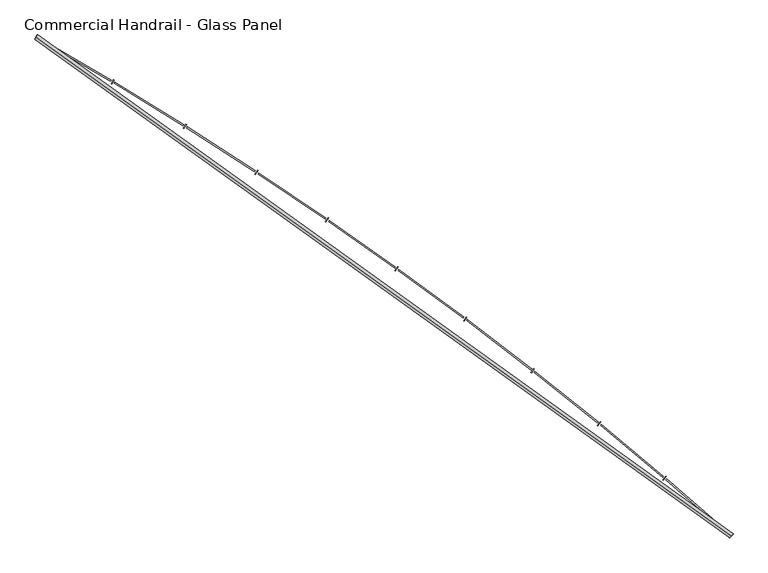
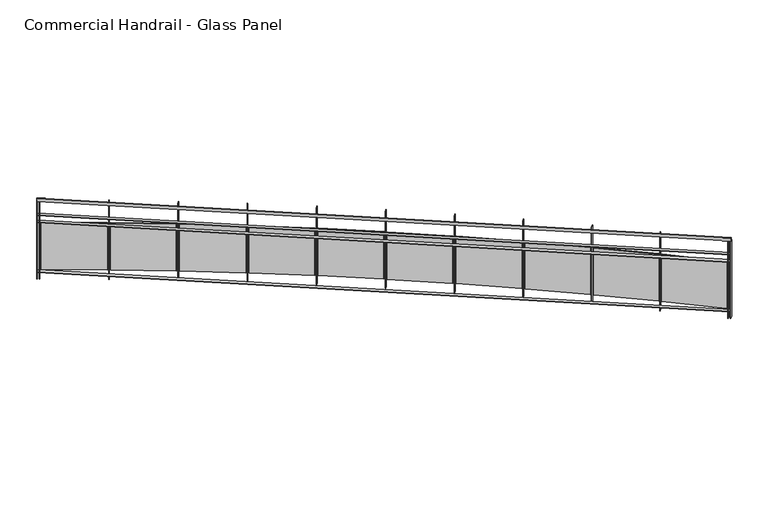
"""IFC4 building model written with IfcOpenShell, lengths in millimetres: railing geometry, Commercial Handrail - Glass Panel."""

from ifc_helpers import new_model, si_unit, point, frame, origin, place, context, project, spatial, polyline, circle_curve, ellipse_curve, trimmed, outline, extrude, source, transform, mapped, element, save
from ifc_brep_helpers import plane_surface, cylinder_surface, revolved_surface, advanced_brep


def commercial_handrail_glass_panel_35f3d920(model_context):
    return source(origin(), model_context, "Body", "SolidModel", [
        advanced_brep(
        [(167549.0741026, -21421.502679, 12882.5), (161013.6212135, -16726.1286002, 12882.5), (161013.6212135, -16726.1286002, 12917.5), (167549.0741026, -21421.502679, 12917.5)],
        [
            (0, 1, circle_curve(frame((141448.4989992, -50854.6714836, 12882.5), z_axis=(0.0, 0.0, 1.0), x_axis=(0.4973475894068907, 0.8675513675346002, 0.0)), 39338.9304203)),
            (1, 2, ellipse_curve(frame((161013.6212135, -16726.1286002, 12900.0), z_axis=(0.867551367534597, -0.4973475894068962, 0.0), x_axis=(-0.4973475894068962, -0.867551367534597, 0.0)), 25.0, 17.5)),
            (2, 3, circle_curve(frame((141448.4989992, -50854.6714836, 12917.5), z_axis=(0.0, 0.0, -1.0), x_axis=(0.4973475894068907, 0.8675513675346002, 0.0)), 39338.9304203)),
            (3, 0, ellipse_curve(frame((167549.0741026, -21421.502679, 12900.0), z_axis=(-0.748194434626209, 0.6634795309535686, 0.0), x_axis=(-0.6634795309535686, -0.748194434626209, 0.0)), 25.0, 17.5)),
            (2, 1, ellipse_curve(frame((161013.6212135, -16726.1286002, 12900.0), z_axis=(0.867551367534597, -0.4973475894068962, 0.0), x_axis=(-0.4973475894068962, -0.867551367534597, 0.0)), 25.0, 17.5)),
            (0, 3, ellipse_curve(frame((167549.0741026, -21421.502679, 12900.0), z_axis=(-0.748194434626209, 0.6634795309535686, 0.0), x_axis=(-0.6634795309535686, -0.748194434626209, 0.0)), 25.0, 17.5)),
        ],
        [
            revolved_surface(trimmed(ellipse_curve(frame((161013.6212135, -16726.1286002, 12900.0), z_axis=(-0.8675513675346002, 0.4973475894068907, 0.0), x_axis=(0.0, 0.0, -1.0)), 17.5, 25.0), [point((161013.6212135, -16726.1286002, 12917.5))], [point((161013.6212135, -16726.1286002, 12882.5))], True, "CARTESIAN"), (141448.4989992, -50854.6714836, 12900.0), (0.0, 0.0, -1.0)),
            revolved_surface(trimmed(ellipse_curve(frame((161013.6212135, -16726.1286002, 12900.0), z_axis=(-0.8675513675346002, 0.4973475894068907, 0.0), x_axis=(0.0, 0.0, -1.0)), 17.5, 25.0), [point((161013.6212135, -16726.1286002, 12882.5))], [point((161013.6212135, -16726.1286002, 12917.5))], True, "CARTESIAN"), (141448.4989992, -50854.6714836, 12900.0), (0.0, 0.0, -1.0)),
            plane_surface(frame((161013.6212135, -16726.1286002, 12900.0), z_axis=(-0.8675513675346002, 0.4973475894068907, 0.0), x_axis=(0.4973475894068907, 0.8675513675346002, 0.0))),
            plane_surface(frame((167549.0741026, -21421.502679, 12900.0), z_axis=(0.7481944346262088, -0.663479530953569, 0.0), x_axis=(0.663479530953569, 0.7481944346262088, 0.0))),
        ],
        [
            (0, [[1, 2, 3, 4]]),
            (1, [[-3, 5, -1, 6]]),
            (2, [[-2, -5]]),
            (3, [[-6, -4]]),
        ],
    ),
        advanced_brep(
        [(167564.0023921, -21404.6683042, 12700.0), (161024.8115343, -16706.6086944, 12700.0), (161002.4308928, -16745.6485059, 12700.0), (167534.1458132, -21438.3370538, 12700.0), (167564.0023921, -21404.6683042, 12694.0), (161024.8115343, -16706.6086944, 12694.0), (167534.1458132, -21438.3370538, 12694.0), (161002.4308928, -16745.6485059, 12694.0)],
        [
            (0, 1, circle_curve(frame((141448.4989992, -50854.6714836, 12700.0), z_axis=(0.0, 0.0, 1.0), x_axis=(0.4973475894068907, 0.8675513675346002, 0.0)), 39361.4304203)),
            (1, 2),
            (2, 3, circle_curve(frame((141448.4989992, -50854.6714836, 12700.0), z_axis=(0.0, 0.0, -1.0), x_axis=(0.4973475894068907, 0.8675513675346002, 0.0)), 39316.4304203)),
            (3, 0),
            (4, 5, circle_curve(frame((141448.4989992, -50854.6714836, 12694.0), z_axis=(0.0, 0.0, 1.0), x_axis=(0.4973475894068907, 0.8675513675346002, 0.0)), 39361.4304203)),
            (5, 1),
            (0, 4),
            (6, 7, circle_curve(frame((141448.4989992, -50854.6714836, 12694.0), z_axis=(0.0, 0.0, 1.0), x_axis=(0.4973475894068907, 0.8675513675346002, 0.0)), 39316.4304203)),
            (7, 5),
            (4, 6),
            (2, 7),
            (6, 3),
        ],
        [
            plane_surface(frame((141448.4989992, -50854.6714836, 12700.0), z_axis=(0.0, 0.0, 1.0), x_axis=(0.4973475894068907, 0.8675513675346002, 0.0))),
            cylinder_surface(frame((141448.4989992, -50854.6714836, 12700.0), z_axis=(0.0, 0.0, -1.0), x_axis=(0.4973475894068907, 0.8675513675346002, 0.0)), 39361.4304203),
            plane_surface(frame((141448.4989992, -50854.6714836, 12694.0), z_axis=(0.0, 0.0, -1.0), x_axis=(0.4973475894068907, 0.8675513675346002, 0.0))),
            revolved_surface(polyline([(161002.43089281995, -16745.64850588978, 12694.0), (161002.43089281995, -16745.64850588978, 12700.0)]), (141448.4989992, -50854.6714836, 12700.0), (0.0, 0.0, -1.0)),
            plane_surface(frame((161013.6212135, -16726.1286002, 12700.0), z_axis=(-0.8675513675346002, 0.4973475894068907, 0.0), x_axis=(0.4973475894068907, 0.8675513675346002, 0.0))),
            plane_surface(frame((167549.0741026, -21421.502679, 12700.0), z_axis=(0.7481944346262088, -0.663479530953569, 0.0), x_axis=(0.663479530953569, 0.7481944346262088, 0.0))),
        ],
        [
            (0, [[1, 2, 3, 4]]),
            (1, [[5, 6, -1, 7]]),
            (2, [[8, 9, -5, 10]]),
            (3, [[-3, 11, -8, 12]]),
            (4, [[-2, -6, -9, -11]]),
            (5, [[-12, -10, -7, -4]]),
        ],
    ),
        advanced_brep(
        [(167564.0023921, -21404.6683042, 12600.0), (161024.8115343, -16706.6086944, 12600.0), (161002.4308928, -16745.6485059, 12600.0), (167534.1458132, -21438.3370538, 12600.0), (167564.0023921, -21404.6683042, 12594.0), (161024.8115343, -16706.6086944, 12594.0), (167534.1458132, -21438.3370538, 12594.0), (161002.4308928, -16745.6485059, 12594.0)],
        [
            (0, 1, circle_curve(frame((141448.4989992, -50854.6714836, 12600.0), z_axis=(0.0, 0.0, 1.0), x_axis=(0.4973475894068907, 0.8675513675346002, 0.0)), 39361.4304203)),
            (1, 2),
            (2, 3, circle_curve(frame((141448.4989992, -50854.6714836, 12600.0), z_axis=(0.0, 0.0, -1.0), x_axis=(0.4973475894068907, 0.8675513675346002, 0.0)), 39316.4304203)),
            (3, 0),
            (4, 5, circle_curve(frame((141448.4989992, -50854.6714836, 12594.0), z_axis=(0.0, 0.0, 1.0), x_axis=(0.4973475894068907, 0.8675513675346002, 0.0)), 39361.4304203)),
            (5, 1),
            (0, 4),
            (6, 7, circle_curve(frame((141448.4989992, -50854.6714836, 12594.0), z_axis=(0.0, 0.0, 1.0), x_axis=(0.4973475894068907, 0.8675513675346002, 0.0)), 39316.4304203)),
            (7, 5),
            (4, 6),
            (2, 7),
            (6, 3),
        ],
        [
            plane_surface(frame((141448.4989992, -50854.6714836, 12600.0), z_axis=(0.0, 0.0, 1.0), x_axis=(0.4973475894068907, 0.8675513675346002, 0.0))),
            cylinder_surface(frame((141448.4989992, -50854.6714836, 12600.0), z_axis=(0.0, 0.0, -1.0), x_axis=(0.4973475894068907, 0.8675513675346002, 0.0)), 39361.4304203),
            plane_surface(frame((141448.4989992, -50854.6714836, 12594.0), z_axis=(0.0, 0.0, -1.0), x_axis=(0.4973475894068907, 0.8675513675346002, 0.0))),
            revolved_surface(polyline([(161002.43089281995, -16745.64850588978, 12594.0), (161002.43089281995, -16745.64850588978, 12600.0)]), (141448.4989992, -50854.6714836, 12600.0), (0.0, 0.0, -1.0)),
            plane_surface(frame((161013.6212135, -16726.1286002, 12600.0), z_axis=(-0.8675513675346002, 0.4973475894068907, 0.0), x_axis=(0.4973475894068907, 0.8675513675346002, 0.0))),
            plane_surface(frame((167549.0741026, -21421.502679, 12600.0), z_axis=(0.7481944346262088, -0.663479530953569, 0.0), x_axis=(0.663479530953569, 0.7481944346262088, 0.0))),
        ],
        [
            (0, [[1, 2, 3, 4]]),
            (1, [[5, 6, -1, 7]]),
            (2, [[8, 9, -5, 10]]),
            (3, [[-3, 11, -8, 12]]),
            (4, [[-2, -6, -9, -11]]),
            (5, [[-12, -10, -7, -4]]),
        ],
    ),
        advanced_brep(
        [(167564.0023921, -21404.6683042, 11900.0), (161024.8115343, -16706.6086944, 11900.0), (161002.4308928, -16745.6485059, 11900.0), (167534.1458132, -21438.3370538, 11900.0), (167564.0023921, -21404.6683042, 11894.0), (161024.8115343, -16706.6086944, 11894.0), (167534.1458132, -21438.3370538, 11894.0), (161002.4308928, -16745.6485059, 11894.0)],
        [
            (0, 1, circle_curve(frame((141448.4989992, -50854.6714836, 11900.0), z_axis=(0.0, 0.0, 1.0), x_axis=(0.4973475894068907, 0.8675513675346002, 0.0)), 39361.4304203)),
            (1, 2),
            (2, 3, circle_curve(frame((141448.4989992, -50854.6714836, 11900.0), z_axis=(0.0, 0.0, -1.0), x_axis=(0.4973475894068907, 0.8675513675346002, 0.0)), 39316.4304203)),
            (3, 0),
            (4, 5, circle_curve(frame((141448.4989992, -50854.6714836, 11894.0), z_axis=(0.0, 0.0, 1.0), x_axis=(0.4973475894068907, 0.8675513675346002, 0.0)), 39361.4304203)),
            (5, 1),
            (0, 4),
            (6, 7, circle_curve(frame((141448.4989992, -50854.6714836, 11894.0), z_axis=(0.0, 0.0, 1.0), x_axis=(0.4973475894068907, 0.8675513675346002, 0.0)), 39316.4304203)),
            (7, 5),
            (4, 6),
            (2, 7),
            (6, 3),
        ],
        [
            plane_surface(frame((141448.4989992, -50854.6714836, 11900.0), z_axis=(0.0, 0.0, 1.0), x_axis=(0.4973475894068907, 0.8675513675346002, 0.0))),
            cylinder_surface(frame((141448.4989992, -50854.6714836, 11900.0), z_axis=(0.0, 0.0, -1.0), x_axis=(0.4973475894068907, 0.8675513675346002, 0.0)), 39361.4304203),
            plane_surface(frame((141448.4989992, -50854.6714836, 11894.0), z_axis=(0.0, 0.0, -1.0), x_axis=(0.4973475894068907, 0.8675513675346002, 0.0))),
            revolved_surface(polyline([(161002.43089281995, -16745.64850588978, 11894.0), (161002.43089281995, -16745.64850588978, 11900.0)]), (141448.4989992, -50854.6714836, 11900.0), (0.0, 0.0, -1.0)),
            plane_surface(frame((161013.6212135, -16726.1286002, 11900.0), z_axis=(-0.8675513675346002, 0.4973475894068907, 0.0), x_axis=(0.4973475894068907, 0.8675513675346002, 0.0))),
            plane_surface(frame((167549.0741026, -21421.502679, 11900.0), z_axis=(0.7481944346262088, -0.663479530953569, 0.0), x_axis=(0.663479530953569, 0.7481944346262088, 0.0))),
        ],
        [
            (0, [[1, 2, 3, 4]]),
            (1, [[5, 6, -1, 7]]),
            (2, [[8, 9, -5, 10]]),
            (3, [[-3, 11, -8, 12]]),
            (4, [[-2, -6, -9, -11]]),
            (5, [[-12, -10, -7, -4]]),
        ],
    ),
        extrude(outline(polyline([(167508.9444824, -21416.0082801), (167538.7747877, -21382.3162501), (167543.2670583, -21386.2936241), (167513.436753, -21419.9856541), (167508.9444824, -21416.0082801)])), frame((0.0, 0.0, 11800.0), z_axis=(0.0, 0.0, 1.0), x_axis=(1.0, 0.0, 0.0)), (0.0, 0.0, 1.0), 1082.1192282),
        extrude(outline(polyline([(166942.1525945, -20883.992877), (167516.2667104, -21381.9818146), (167508.4037272, -21391.0467743), (166934.2896113, -20893.0578368), (166942.1525945, -20883.992877)])), frame((0.0, 0.0, 11920.0), z_axis=(0.0, 0.0, 1.0), x_axis=(1.0, 0.0, 0.0)), (0.0, 0.0, 1.0), 660.0),
        extrude(outline(polyline([(166904.9299151, -20892.1643286), (166934.0689354, -20857.8726752), (166938.6411559, -20861.7578779), (166909.5021355, -20896.0495313), (166904.9299151, -20892.1643286)])), frame((0.0, 0.0, 11800.0), z_axis=(0.0, 0.0, 1.0), x_axis=(1.0, 0.0, 0.0)), (0.0, 0.0, 1.0), 1082.1192282),
        extrude(outline(polyline([(166327.4368564, -20371.7844669), (166911.5587116, -20857.9960035), (166903.8816873, -20867.2189802), (166319.7598321, -20381.0074436), (166327.4368564, -20371.7844669)])), frame((0.0, 0.0, 11920.0), z_axis=(0.0, 0.0, 1.0), x_axis=(1.0, 0.0, 0.0)), (0.0, 0.0, 1.0), 660.0),
        extrude(outline(polyline([(166290.3880375, -20380.7111404), (166318.8237226, -20345.8340446), (166323.4740021, -20349.6254693), (166295.0383169, -20384.5025651), (166290.3880375, -20380.7111404)])), frame((0.0, 0.0, 11800.0), z_axis=(0.0, 0.0, 1.0), x_axis=(1.0, 0.0, 0.0)), (0.0, 0.0, 1.0), 1082.1192282),
        extrude(outline(polyline([(165702.4326258, -19872.1820192), (166296.3206611, -20346.4150858), (166288.8327706, -20355.7922653), (165694.9447352, -19881.5591987), (165702.4326258, -19872.1820192)])), frame((0.0, 0.0, 11920.0), z_axis=(0.0, 0.0, 1.0), x_axis=(1.0, 0.0, 0.0)), (0.0, 0.0, 1.0), 660.0),
        extrude(outline(polyline([(165665.5729886, -19881.860223), (165693.2935792, -19846.4121081), (165698.0199946, -19850.1081868), (165670.2994039, -19885.5563018), (165665.5729886, -19881.860223)])), frame((0.0, 0.0, 11800.0), z_axis=(0.0, 0.0, 1.0), x_axis=(1.0, 0.0, 0.0)), (0.0, 0.0, 1.0), 1082.1192282),
        extrude(outline(polyline([(165067.3983683, -19385.3921406), (165670.8069859, -19847.4506219), (165663.5113257, -19856.9781264), (165060.102708, -19394.9196451), (165067.3983683, -19385.3921406)])), frame((0.0, 0.0, 11920.0), z_axis=(0.0, 0.0, 1.0), x_axis=(1.0, 0.0, 0.0)), (0.0, 0.0, 1.0), 660.0),
        extrude(outline(polyline([(165030.7431559, -19395.8178725), (165057.7371883, -19359.8133976), (165062.537785, -19363.412602), (165035.5437525, -19399.4170768), (165030.7431559, -19395.8178725)])), frame((0.0, 0.0, 11800.0), z_axis=(0.0, 0.0, 1.0), x_axis=(1.0, 0.0, 0.0)), (0.0, 0.0, 1.0), 1082.1192282),
        extrude(outline(polyline([(164422.5966974, -18911.6161393), (165035.2763625, -19361.3089545), (165028.1759496, -19370.982844), (164415.4962846, -18921.2900288), (164422.5966974, -18911.6161393)])), frame((0.0, 0.0, 11920.0), z_axis=(0.0, 0.0, 1.0), x_axis=(1.0, 0.0, 0.0)), (0.0, 0.0, 1.0), 660.0),
        extrude(outline(polyline([(164386.1610683, -18922.7850878), (164412.4173794, -18886.2391424), (164417.2901721, -18889.7399839), (164391.033861, -18926.2859293), (164386.1610683, -18922.7850878)])), frame((0.0, 0.0, 11800.0), z_axis=(0.0, 0.0, 1.0), x_axis=(1.0, 0.0, 0.0)), (0.0, 0.0, 1.0), 1082.1192282),
        extrude(outline(polyline([(163768.294266, -18451.0499418), (164389.9916095, -18888.1911239), (164383.0893803, -18898.0073978), (163761.3920368, -18460.8662157), (163768.294266, -18451.0499418)])), frame((0.0, 0.0, 11920.0), z_axis=(0.0, 0.0, 1.0), x_axis=(1.0, 0.0, 0.0)), (0.0, 0.0, 1.0), 660.0),
        extrude(outline(polyline([(163732.0932877, -18462.957488), (163757.6010195, -18425.8851854), (163762.5439932, -18429.2862163), (163737.0362614, -18466.3585189), (163732.0932877, -18462.957488)])), frame((0.0, 0.0, 11800.0), z_axis=(0.0, 0.0, 1.0), x_axis=(1.0, 0.0, 0.0)), (0.0, 0.0, 1.0), 1082.1192282),
        extrude(outline(polyline([(163104.7616557, -18003.8840116), (163735.2195795, -18428.2927843), (163728.5183883, -18438.2473831), (163098.0604645, -18013.8386104), (163104.7616557, -18003.8840116)])), frame((0.0, 0.0, 11920.0), z_axis=(0.0, 0.0, 1.0), x_axis=(1.0, 0.0, 0.0)), (0.0, 0.0, 1.0), 660.0),
        extrude(outline(polyline([(163068.810299, -18016.5252312), (163093.5589027, -17978.9419023), (163098.5700133, -17982.2417162), (163073.8214095, -18019.8250451), (163068.810299, -18016.5252312)])), frame((0.0, 0.0, 11800.0), z_axis=(0.0, 0.0, 1.0), x_axis=(1.0, 0.0, 0.0)), (0.0, 0.0, 1.0), 1082.1192282),
        extrude(outline(polyline([(162432.2732653, -17570.3032708), (163071.2310484, -17981.8041231), (163064.7336665, -17991.8929302), (162425.7758834, -17580.3920779), (162432.2732653, -17570.3032708)])), frame((0.0, 0.0, 11920.0), z_axis=(0.0, 0.0, 1.0), x_axis=(1.0, 0.0, 0.0)), (0.0, 0.0, 1.0), 660.0),
        extrude(outline(polyline([(162396.5863975, -17583.6729362), (162420.5656387, -17545.5941233), (162425.6428138, -17548.7913555), (162401.6635725, -17586.8701683), (162396.5863975, -17583.6729362)])), frame((0.0, 0.0, 11800.0), z_axis=(0.0, 0.0, 1.0), x_axis=(1.0, 0.0, 0.0)), (0.0, 0.0, 1.0), 1082.1192282),
        extrude(outline(polyline([(161751.1071971, -17150.4870233), (162398.3006035, -17548.9097821), (162392.0097178, -17559.1286254), (161744.8163114, -17160.7058665), (161751.1071971, -17150.4870233)])), frame((0.0, 0.0, 11920.0), z_axis=(0.0, 0.0, 1.0), x_axis=(1.0, 0.0, 0.0)), (0.0, 0.0, 1.0), 660.0),
        extrude(outline(polyline([(161715.6995763, -17164.5796055), (161738.8995386, -17126.0210558), (161744.0406785, -17129.1143841), (161720.8407163, -17167.6729338), (161715.6995763, -17164.5796055)])), frame((0.0, 0.0, 11800.0), z_axis=(0.0, 0.0, 1.0), x_axis=(1.0, 0.0, 0.0)), (0.0, 0.0, 1.0), 1082.1192282),
        extrude(outline(polyline([(161061.5451422, -16744.6088808), (161716.70653, -17129.7887816), (161710.6247421, -17140.1334351), (161055.4633543, -16754.9535343), (161061.5451422, -16744.6088808)])), frame((0.0, 0.0, 11920.0), z_axis=(0.0, 0.0, 1.0), x_axis=(1.0, 0.0, 0.0)), (0.0, 0.0, 1.0), 660.0),
        extrude(outline(polyline([(161026.431411, -16759.418552), (161048.8425001, -16720.3962112), (161054.0454789, -16723.3843564), (161031.6343898, -16762.4066972), (161026.431411, -16759.418552)])), frame((0.0, 0.0, 11800.0), z_axis=(0.0, 0.0, 1.0), x_axis=(1.0, 0.0, 0.0)), (0.0, 0.0, 1.0), 1082.1192282),
        extrude(outline(polyline([(167531.9012299, -21436.3466152), (167561.7578088, -21402.6778657), (167566.2469754, -21406.6587428), (167536.3903965, -21440.3274924), (167531.9012299, -21436.3466152)])), frame((0.0, 0.0, 11800.0), z_axis=(0.0, 0.0, 1.0), x_axis=(1.0, 0.0, 0.0)), (0.0, 0.0, 1.0), 1082.1192282),
        extrude(outline(polyline([(160999.8282387, -16744.1564632), (161022.2088802, -16705.1166516), (161027.4141884, -16708.1007372), (161005.0335469, -16747.1405487), (160999.8282387, -16744.1564632)])), frame((0.0, 0.0, 11800.0), z_axis=(0.0, 0.0, 1.0), x_axis=(1.0, 0.0, 0.0)), (0.0, 0.0, 1.0), 1082.1192282),
    ])


if __name__ == "__main__":
    model = new_model("IFC4")
    model_context = context("Model", 3, world=origin())
    ifc_project = project(units=[si_unit("LENGTHUNIT", "METRE", prefix="MILLI")], contexts=[model_context])
    site = spatial("IfcSite", under=ifc_project)
    building = spatial("IfcBuilding", under=site)
    placement = place(None, origin())
    commercial_handrail_glass_panel_shape = commercial_handrail_glass_panel_35f3d920(model_context)
    element("IfcRailing", 1, ObjectType="Commercial Handrail - Glass Panel", at=placement, inside=building, context=model_context, shape_type="MappedRepresentation", body=[
        mapped(commercial_handrail_glass_panel_shape, transform((0.0, 0.0, 0.0), x_axis=(1.0, 0.0, 0.0), y_axis=(0.0, 1.0, 0.0), z_axis=(0.0, 0.0, 1.0))),
    ])
    save(model, "model.ifc")
